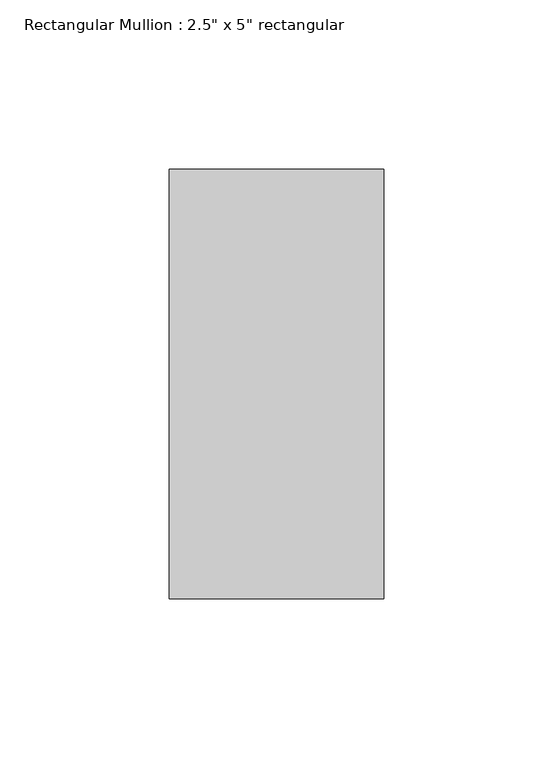
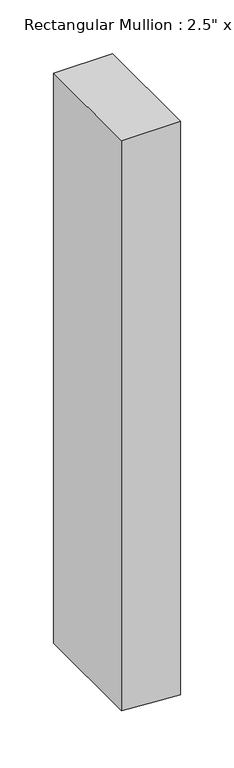
"""IFC4 building model written with IfcOpenShell, lengths in millimetres: member geometry."""

import ifcopenshell
import ifcopenshell.guid

model = None  # the IFC model being written
_history = None  # IfcOwnerHistory: only IFC2X3 demands one
_inside = {}  # id of a spatial element -> (the spatial element, [elements in it])
_under = {}  # id of a project, library or spatial element -> (it, [spatial elements below it])
_declared = {}  # id of a project -> (the project, [libraries it declares])
_typed = {}  # id of a type object -> (the type object, [elements of that type])
_made_of = {}  # id of a material, layer set ... -> (it, [elements and type objects made of it])


def new_model(schema):
    """Start an empty IFC model of exactly this schema.

    Asked for "IFC4X3", IfcOpenShell would pick the latest addendum, in which some entities
    have other attributes; the version numbers below select the first issue.
    IFC2X3 requires an IfcOwnerHistory on every rooted entity: one is made here for all.
    """
    global model, _history
    if schema == "IFC4X3":
        model = ifcopenshell.file(schema_version=(4, 3, 0, 0))
    else:
        model = ifcopenshell.file(schema=schema)
    _inside.clear()
    _under.clear()
    _declared.clear()
    _typed.clear()
    _made_of.clear()
    _history = None
    if model.schema == "IFC2X3":
        org = make("IfcOrganization", Name="unknown")
        user = make(
            "IfcPersonAndOrganization",
            ThePerson=make("IfcPerson", FamilyName="unknown"),
            TheOrganization=org,
        )
        app = make(
            "IfcApplication",
            ApplicationDeveloper=org,
            Version="unknown",
            ApplicationFullName="unknown",
            ApplicationIdentifier="unknown",
        )
        _history = make(
            "IfcOwnerHistory",
            OwningUser=user,
            OwningApplication=app,
            ChangeAction="ADDED",
            CreationDate=0,
        )
    return model


def make(cls, **values):
    """One entity of the class cls with the attributes given. An attribute that is None is left unset."""
    return model.create_entity(
        cls, **{name: value for name, value in values.items() if value is not None}
    )


def rooted(cls, **values):
    """An entity with a GlobalId (a new one), such as an element, a storey or a relation."""
    return make(cls, GlobalId=ifcopenshell.guid.new(), OwnerHistory=_history, **values)


def si_unit(unit_type, name, prefix=None):
    """IfcSIUnit, for example si_unit("LENGTHUNIT", "METRE", prefix="MILLI")."""
    return make("IfcSIUnit", UnitType=unit_type, Prefix=prefix, Name=name)


def assignment(units):
    """IfcUnitAssignment: the units of a project."""
    return None if units is None else make("IfcUnitAssignment", Units=units)


def point(xyz):
    """IfcCartesianPoint."""
    return None if xyz is None else make("IfcCartesianPoint", Coordinates=xyz)


def direction(xyz):
    """IfcDirection."""
    return None if xyz is None else make("IfcDirection", DirectionRatios=xyz)


def frame(location, z_axis=None, x_axis=None):
    """IfcAxis2Placement3D, a coordinate frame: its origin and axes. An axis left out is left unset."""
    return make(
        "IfcAxis2Placement3D",
        Location=point(location),
        Axis=direction(z_axis),
        RefDirection=direction(x_axis),
    )


def origin():
    """The frame at (0, 0, 0) with its axes left unset."""
    return frame((0.0, 0.0, 0.0))


def place(relative_to, where):
    """IfcLocalPlacement: puts the frame where relative to a parent placement (None: the world)."""
    return make(
        "IfcLocalPlacement", PlacementRelTo=relative_to, RelativePlacement=where
    )


def context(
    kind, dimensions, precision=None, world=None, true_north=None, identifier=None
):
    """IfcGeometricRepresentationContext, for example the 3D "Model" context."""
    return make(
        "IfcGeometricRepresentationContext",
        ContextIdentifier=identifier,
        ContextType=kind,
        CoordinateSpaceDimension=dimensions,
        Precision=precision,
        WorldCoordinateSystem=world,
        TrueNorth=true_north,
    )


def project(units=None, contexts=None):
    """IfcProject with its units and contexts."""
    return rooted(
        "IfcProject",
        Name="project",
        RepresentationContexts=contexts,
        UnitsInContext=assignment(units),
    )


def spatial(cls, under=None, at=None, **own):
    """A site, building, storey or space (cls), placed at a placement, below another one or the project."""
    s = rooted(cls, ObjectPlacement=at, **own)
    if under is not None:
        _under.setdefault(under.id(), (under, []))[1].append(s)
    return s


def polyline(points):
    """IfcPolyline through the points."""
    return make("IfcPolyline", Points=[point(p) for p in points])


def outline(outer, holes=None, kind="AREA"):
    """IfcArbitraryClosedProfileDef: a profile drawn as a closed curve; with holes, ...WithVoids."""
    if holes is None:
        return make("IfcArbitraryClosedProfileDef", ProfileType=kind, OuterCurve=outer)
    return make(
        "IfcArbitraryProfileDefWithVoids",
        ProfileType=kind,
        OuterCurve=outer,
        InnerCurves=holes,
    )


def extrude(swept, where, along, depth):
    """IfcExtrudedAreaSolid: the profile swept, set in the frame where, extruded along a direction by depth."""
    return make(
        "IfcExtrudedAreaSolid",
        SweptArea=swept,
        Position=where,
        ExtrudedDirection=direction(along),
        Depth=depth,
    )


def shape(context_of_items, identifier, shape_type, items):
    """IfcShapeRepresentation: the items that make up one representation, for example the "Body"."""
    return make(
        "IfcShapeRepresentation",
        ContextOfItems=context_of_items,
        RepresentationIdentifier=identifier,
        RepresentationType=shape_type,
        Items=items,
    )


def source(mapping_origin, context_of_items, identifier, shape_type, items):
    """IfcRepresentationMap: a shape defined once, which mapped items show again and again."""
    return make(
        "IfcRepresentationMap",
        MappingOrigin=mapping_origin,
        MappedRepresentation=shape(context_of_items, identifier, shape_type, items),
    )


def transform(
    local_origin,
    x_axis=None,
    y_axis=None,
    z_axis=None,
    scale=None,
    scale2=None,
    scale3=None,
    uniform=True,
):
    """IfcCartesianTransformationOperator3D, or its non-uniform kind. x_axis, y_axis, z_axis: its Axis1, 2, 3."""
    if uniform:
        return make(
            "IfcCartesianTransformationOperator3D",
            Axis1=direction(x_axis),
            Axis2=direction(y_axis),
            LocalOrigin=point(local_origin),
            Scale=scale,
            Axis3=direction(z_axis),
        )
    return make(
        "IfcCartesianTransformationOperator3DnonUniform",
        Axis1=direction(x_axis),
        Axis2=direction(y_axis),
        LocalOrigin=point(local_origin),
        Scale=scale,
        Axis3=direction(z_axis),
        Scale2=scale2,
        Scale3=scale3,
    )


def mapped(mapping_source, mapping_target):
    """IfcMappedItem: shows the shape of a source again, moved by a transform."""
    return make(
        "IfcMappedItem", MappingSource=mapping_source, MappingTarget=mapping_target
    )


def made_of(thing, what):
    """Note that an element or type object is made of a material, layer set ...; save() writes the relation."""
    if what is not None:
        _made_of.setdefault(what.id(), (what, []))[1].append(thing)
    return thing


def element(
    cls,
    number,
    at=None,
    inside=None,
    cuts=None,
    type_object=None,
    material=None,
    context=None,
    identifier="Body",
    shape_type=None,
    held_by="IfcProductDefinitionShape",
    body=None,
    shapes=None,
    **own,
):
    """One element of the class cls, such as IfcWall. Its Tag is "e" and its number.

    at: its placement. inside: the storey or other place that contains it. cuts: it is an
    opening in that element (IfcRelVoidsElement). A single representation is given by context,
    identifier, shape_type and body (its items); several are given by shapes. held_by: the class
    of the entity that holds the representations. save() writes the other relations.
    """
    e = rooted(cls, Tag="e%d" % number, ObjectPlacement=at, **own)
    if body is not None:
        shapes = [shape(context, identifier, shape_type, body)]
    if shapes is not None:
        e.Representation = make(held_by, Representations=shapes)
    if inside is not None:
        _inside.setdefault(inside.id(), (inside, []))[1].append(e)
    if cuts is not None:
        rooted(
            "IfcRelVoidsElement", RelatingBuildingElement=cuts, RelatedOpeningElement=e
        )
    if type_object is not None:
        _typed.setdefault(type_object.id(), (type_object, []))[1].append(e)
    return made_of(e, material)


def aggregate(whole, parts):
    """IfcRelAggregates: a whole, such as a stair, and the parts it consists of."""
    return rooted("IfcRelAggregates", RelatingObject=whole, RelatedObjects=parts)


def save(model, path):
    """Write the relations noted so far, then the file.

    IfcRelAggregates (storeys below a building ...), IfcRelContainedInSpatialStructure (elements
    in a storey), IfcRelDefinesByType, IfcRelAssociatesMaterial and IfcRelDeclares: one each for
    every whole, place, type object, material and project.
    """
    for whole, parts in _under.values():
        aggregate(whole, parts)
    for where, things in _inside.values():
        rooted(
            "IfcRelContainedInSpatialStructure",
            RelatedElements=things,
            RelatingStructure=where,
        )
    for kind, things in _typed.values():
        rooted("IfcRelDefinesByType", RelatedObjects=things, RelatingType=kind)
    for what, things in _made_of.values():
        rooted("IfcRelAssociatesMaterial", RelatedObjects=things, RelatingMaterial=what)
    for by, libraries in _declared.values():
        rooted("IfcRelDeclares", RelatingContext=by, RelatedDefinitions=libraries)
    model.write(path)


def member_c9011408(model_context):
    return source(origin(), model_context, "Body", "SweptSolid", [
        extrude(outline(polyline([(0.0, 31.75), (0.0, -31.75), (-648.8483883, -31.75), (-651.2204635, 4.1839133), (-653.0407042, 31.75), (0.0, 31.75)])), frame((0.0, -63.5, 0.0), z_axis=(0.0, 1.0, 0.0), x_axis=(0.0, 0.0, 1.0)), (0.0, 0.0, 1.0), 127.0),
    ])


if __name__ == "__main__":
    model = new_model("IFC4")
    model_context = context("Model", 3, world=origin())
    ifc_project = project(units=[si_unit("LENGTHUNIT", "METRE", prefix="MILLI")], contexts=[model_context])
    site = spatial("IfcSite", under=ifc_project)
    building = spatial("IfcBuilding", under=site)
    placement = place(None, origin())
    member_shape = member_c9011408(model_context)
    element("IfcMember", 1, ObjectType="Rectangular Mullion : 2.5\" x 5\" rectangular", at=placement, inside=building, context=model_context, shape_type="MappedRepresentation", body=[
        mapped(member_shape, transform((0.0, 0.0, 0.0), x_axis=(1.0, 0.0, 0.0), y_axis=(0.0, 1.0, 0.0), z_axis=(0.0, 0.0, 1.0))),
    ])
    save(model, "model.ifc")
